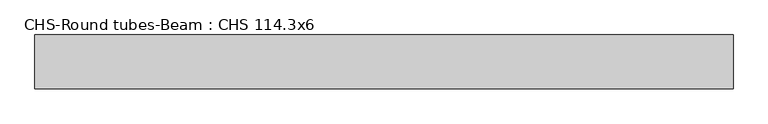
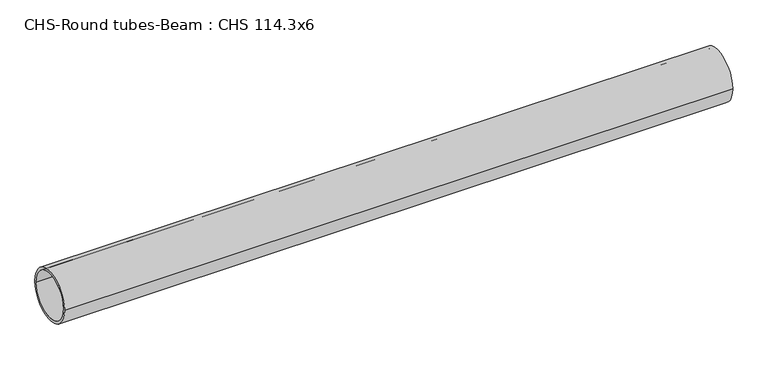
"""IFC4 building model written with IfcOpenShell, lengths in millimetres: beam geometry, CHS-Round tubes-Beam : CHS 114.3x6."""

from ifc_helpers import new_model, si_unit, point, frame, origin, origin_2d, place, context, project, spatial, circle_curve, trimmed, segment, composite_curve, outline, extrude, source, transform, mapped, element, save


def chs_round_tubes_beam_chs_114_3x6_5f4ee261(model_context):
    return source(origin(), model_context, "Body", "SweptSolid", [
        extrude(outline(composite_curve([segment(trimmed(circle_curve(origin_2d(), 57.15), [point((57.15, 0.0))], [point((-57.15, 0.0))], False, "CARTESIAN"), True, "CONTINUOUS"), segment(trimmed(circle_curve(origin_2d(), 57.15), [point((-57.15, 0.0))], [point((57.15, 0.0))], False, "CARTESIAN"), True, "CONTINUOUS")], self_intersect=False), holes=[composite_curve([segment(trimmed(circle_curve(origin_2d(), 51.15), [point((51.15, 0.0))], [point((-51.15, 0.0))], True, "CARTESIAN"), True, "CONTINUOUS"), segment(trimmed(circle_curve(origin_2d(), 51.15), [point((-51.15, 0.0))], [point((51.15, 0.0))], True, "CARTESIAN"), True, "CONTINUOUS")], self_intersect=False)]), frame((-759.3925417, 0.0, 0.0), z_axis=(1.0, 0.0, 0.0), x_axis=(0.0, 1.0, 0.0)), (0.0, 0.0, 1.0), 1479.4855326),
    ])


if __name__ == "__main__":
    model = new_model("IFC4")
    model_context = context("Model", 3, world=origin())
    ifc_project = project(units=[si_unit("LENGTHUNIT", "METRE", prefix="MILLI")], contexts=[model_context])
    site = spatial("IfcSite", under=ifc_project)
    building = spatial("IfcBuilding", under=site)
    placement = place(None, origin())
    chs_round_tubes_beam_chs_114_3x6_shape = chs_round_tubes_beam_chs_114_3x6_5f4ee261(model_context)
    element("IfcBeam", 1, ObjectType="CHS-Round tubes-Beam : CHS 114.3x6", at=placement, inside=building, context=model_context, shape_type="MappedRepresentation", body=[
        mapped(chs_round_tubes_beam_chs_114_3x6_shape, transform((0.0, 0.0, 0.0), x_axis=(1.0, 0.0, 0.0), y_axis=(0.0, 1.0, 0.0), z_axis=(0.0, 0.0, 1.0))),
    ])
    save(model, "model.ifc")
